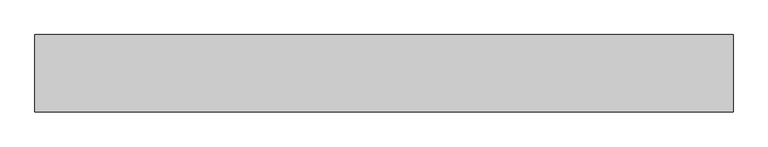
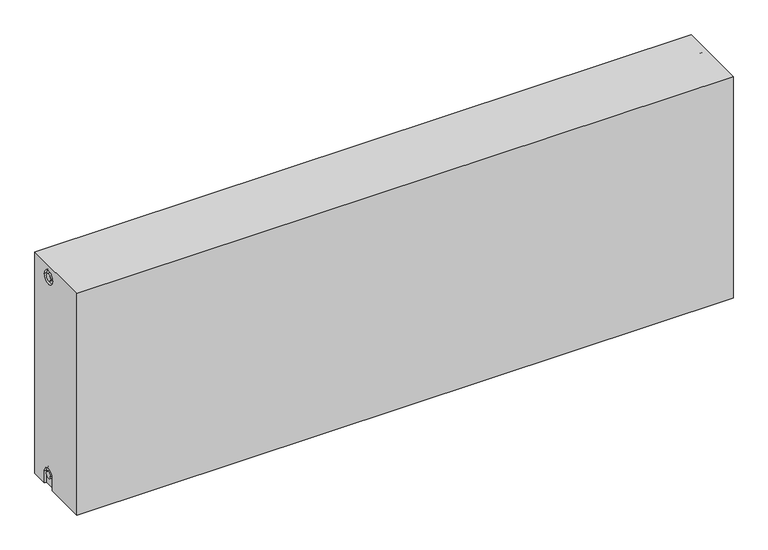
"""IFC4 building model written with IfcOpenShell, lengths in millimetres: proxy geometry."""

from ifc_helpers import new_model, si_unit, frame, origin, place, context, project, spatial, polyline, circle_curve, source, transform, mapped, element, save
from ifc_brep_helpers import plane_surface, cylinder_surface, revolved_surface, advanced_brep


def mechanical_equipment_662502ef(model_context):
    return source(origin(), model_context, "Body", "AdvancedBrep", [
        advanced_brep(
        [(1400.0, 77.5, 500.0), (1400.0, 77.5, 0.0), (0.0, 77.5, 0.0), (0.0, 77.5, 500.0), (1400.0, -77.5, 500.0), (0.0, -77.5, 500.0), (0.0, -77.5, 0.0), (1400.0, -77.5, 0.0), (1400.0, 12.2242393, 0.0), (1400.0, 12.2242393, 27.0), (1400.0, 42.2242393, 27.0), (1400.0, 42.2242393, 0.0), (1400.0, 42.2242393, 473.0), (1400.0, 12.2242393, 473.0), (1400.0, 19.7242393, 27.0), (1400.0, 34.7242393, 27.0), (1400.0, 34.7242393, 473.0), (1400.0, 19.7242393, 473.0), (1395.0, 42.2242393, 0.0), (1395.0, 12.2242393, 0.0), (0.0, 12.5, 0.0), (5.0, 12.5, 0.0), (5.0, 42.5, 0.0), (0.0, 42.5, 0.0), (0.0, 42.5, 27.0), (0.0, 12.5, 27.0), (0.0, 12.2242393, 473.0), (0.0, 42.2242393, 473.0), (0.0, 19.7242393, 473.0), (0.0, 34.7242393, 473.0), (0.0, 35.0682726, 27.0), (0.0, 20.0682726, 27.0), (5.0, 12.2242393, 473.0), (5.0, 42.2242393, 473.0), (5.0, 19.7242393, 473.0), (5.0, 34.7242393, 473.0), (5.0, 12.5, 27.0), (5.0, 42.5, 27.0), (5.0, 20.0682726, 27.0), (5.0, 35.0682726, 27.0), (1395.0, 42.2242393, 27.0), (1395.0, 12.2242393, 27.0), (1395.0, 19.7242393, 27.0), (1395.0, 34.7242393, 27.0), (1395.0, 12.2242393, 473.0), (1395.0, 42.2242393, 473.0), (1395.0, 19.7242393, 473.0), (1395.0, 34.7242393, 473.0)],
        [
            (0, 1),
            (1, 2),
            (2, 3),
            (3, 0),
            (4, 5),
            (5, 6),
            (6, 7),
            (7, 4),
            (0, 4),
            (7, 8),
            (8, 9),
            (9, 10, circle_curve(frame((1400.0, 27.2242393, 27.0), z_axis=(-1.0, 0.0, 0.0), x_axis=(0.0, 1.0, 0.0)), 15.0)),
            (10, 11),
            (11, 1),
            (12, 13, circle_curve(frame((1400.0, 27.2242393, 473.0), z_axis=(-1.0, 0.0, 0.0), x_axis=(0.0, 1.0, 0.0)), 15.0)),
            (13, 12, circle_curve(frame((1400.0, 27.2242393, 473.0), z_axis=(-1.0, 0.0, 0.0), x_axis=(0.0, 1.0, 0.0)), 15.0)),
            (14, 15, circle_curve(frame((1400.0, 27.2242393, 27.0), z_axis=(1.0, 0.0, 0.0), x_axis=(0.0, 1.0, 0.0)), 7.5)),
            (15, 14, circle_curve(frame((1400.0, 27.2242393, 27.0), z_axis=(1.0, 0.0, 0.0), x_axis=(0.0, 1.0, 0.0)), 7.5)),
            (16, 17, circle_curve(frame((1400.0, 27.2242393, 473.0), z_axis=(1.0, 0.0, 0.0), x_axis=(0.0, 1.0, 0.0)), 7.5)),
            (17, 16, circle_curve(frame((1400.0, 27.2242393, 473.0), z_axis=(1.0, 0.0, 0.0), x_axis=(0.0, 1.0, 0.0)), 7.5)),
            (11, 18),
            (18, 19),
            (19, 8),
            (6, 20),
            (20, 21),
            (21, 22),
            (22, 23),
            (23, 2),
            (23, 24),
            (24, 25, circle_curve(frame((0.0, 27.5, 27.0), z_axis=(1.0, 0.0, 0.0), x_axis=(0.0, 1.0, 0.0)), 15.0)),
            (25, 20),
            (5, 3),
            (26, 27, circle_curve(frame((0.0, 27.2242393, 473.0), z_axis=(1.0, 0.0, 0.0), x_axis=(0.0, 1.0, 0.0)), 15.0)),
            (27, 26, circle_curve(frame((0.0, 27.2242393, 473.0), z_axis=(1.0, 0.0, 0.0), x_axis=(0.0, 1.0, 0.0)), 15.0)),
            (28, 29, circle_curve(frame((0.0, 27.2242393, 473.0), z_axis=(-1.0, 0.0, 0.0), x_axis=(0.0, 1.0, 0.0)), 7.5)),
            (29, 28, circle_curve(frame((0.0, 27.2242393, 473.0), z_axis=(-1.0, 0.0, 0.0), x_axis=(0.0, 1.0, 0.0)), 7.5)),
            (30, 31, circle_curve(frame((0.0, 27.5682726, 27.0), z_axis=(-1.0, 0.0, 0.0), x_axis=(0.0, 1.0, 0.0)), 7.5)),
            (31, 30, circle_curve(frame((0.0, 27.5682726, 27.0), z_axis=(-1.0, 0.0, 0.0), x_axis=(0.0, 1.0, 0.0)), 7.5)),
            (32, 33, circle_curve(frame((5.0, 27.2242393, 473.0), z_axis=(-1.0, 0.0, 0.0), x_axis=(0.0, 1.0, 0.0)), 15.0)),
            (33, 32, circle_curve(frame((5.0, 27.2242393, 473.0), z_axis=(-1.0, 0.0, 0.0), x_axis=(0.0, 1.0, 0.0)), 15.0)),
            (34, 35, circle_curve(frame((5.0, 27.2242393, 473.0), z_axis=(1.0, 0.0, 0.0), x_axis=(0.0, 1.0, 0.0)), 7.5)),
            (35, 34, circle_curve(frame((5.0, 27.2242393, 473.0), z_axis=(1.0, 0.0, 0.0), x_axis=(0.0, 1.0, 0.0)), 7.5)),
            (33, 27),
            (26, 32),
            (35, 29),
            (28, 34),
            (21, 36),
            (36, 37, circle_curve(frame((5.0, 27.5, 27.0), z_axis=(-1.0, 0.0, 0.0), x_axis=(0.0, 1.0, 0.0)), 15.0)),
            (37, 22),
            (38, 39, circle_curve(frame((5.0, 27.5682726, 27.0), z_axis=(1.0, 0.0, 0.0), x_axis=(0.0, 1.0, 0.0)), 7.5)),
            (39, 38, circle_curve(frame((5.0, 27.5682726, 27.0), z_axis=(1.0, 0.0, 0.0), x_axis=(0.0, 1.0, 0.0)), 7.5)),
            (38, 31),
            (30, 39),
            (37, 24),
            (36, 25),
            (18, 40),
            (40, 41, circle_curve(frame((1395.0, 27.2242393, 27.0), z_axis=(1.0, 0.0, 0.0), x_axis=(0.0, 1.0, 0.0)), 15.0)),
            (41, 19),
            (42, 43, circle_curve(frame((1395.0, 27.2242393, 27.0), z_axis=(-1.0, 0.0, 0.0), x_axis=(0.0, 1.0, 0.0)), 7.5)),
            (43, 42, circle_curve(frame((1395.0, 27.2242393, 27.0), z_axis=(-1.0, 0.0, 0.0), x_axis=(0.0, 1.0, 0.0)), 7.5)),
            (43, 15),
            (14, 42),
            (10, 40),
            (9, 41),
            (44, 45, circle_curve(frame((1395.0, 27.2242393, 473.0), z_axis=(1.0, 0.0, 0.0), x_axis=(0.0, 1.0, 0.0)), 15.0)),
            (45, 44, circle_curve(frame((1395.0, 27.2242393, 473.0), z_axis=(1.0, 0.0, 0.0), x_axis=(0.0, 1.0, 0.0)), 15.0)),
            (46, 47, circle_curve(frame((1395.0, 27.2242393, 473.0), z_axis=(-1.0, 0.0, 0.0), x_axis=(0.0, 1.0, 0.0)), 7.5)),
            (47, 46, circle_curve(frame((1395.0, 27.2242393, 473.0), z_axis=(-1.0, 0.0, 0.0), x_axis=(0.0, 1.0, 0.0)), 7.5)),
            (44, 13),
            (12, 45),
            (46, 17),
            (16, 47),
        ],
        [
            plane_surface(frame((1400.0, 77.5, 500.0), z_axis=(0.0, 1.0, 0.0), x_axis=(0.0, 0.0, -1.0))),
            plane_surface(frame((1400.0, -77.5, 500.0), z_axis=(0.0, -1.0, 0.0), x_axis=(0.0, 0.0, 1.0))),
            plane_surface(frame((1400.0, 77.5, 500.0), z_axis=(1.0, 0.0, 0.0), x_axis=(0.0, -1.0, 0.0))),
            plane_surface(frame((1400.0, 77.5, 0.0), z_axis=(0.0, 0.0, -1.0), x_axis=(0.0, -1.0, 0.0))),
            plane_surface(frame((0.0, 77.5, 0.0), z_axis=(-1.0, 0.0, 0.0), x_axis=(0.0, -1.0, 0.0))),
            plane_surface(frame((0.0, 77.5, 500.0), z_axis=(0.0, 0.0, 1.0), x_axis=(0.0, -1.0, 0.0))),
            plane_surface(frame((5.0, 42.2242393, 473.0), z_axis=(-1.0, 0.0, 0.0), x_axis=(0.0, 0.0, 1.0))),
            revolved_surface(polyline([(5.0, 42.2242393, 473.0), (0.0, 42.2242393, 473.0)]), (0.0, 27.2242393, 473.0), (1.0, 0.0, 0.0)),
            cylinder_surface(frame((0.0, 27.2242393, 473.0), z_axis=(-1.0, 0.0, 0.0), x_axis=(0.0, 1.0, 0.0)), 7.5),
            plane_surface(frame((5.0, 35.0682726, 27.0), z_axis=(-1.0, 0.0, 0.0), x_axis=(0.0, 0.0, -1.0))),
            cylinder_surface(frame((0.0, 27.5682726, 27.0), z_axis=(-1.0, 0.0, 0.0), x_axis=(0.0, 1.0, 0.0)), 7.5),
            plane_surface(frame((5.0, 42.5, 0.0), z_axis=(0.0, -1.0, 0.0), x_axis=(-1.0, 0.0, 0.0))),
            revolved_surface(polyline([(5.0, 42.5, 27.0), (0.0, 42.5, 27.0)]), (0.0, 27.5, 27.0), (1.0, 0.0, 0.0)),
            plane_surface(frame((5.0, 12.5, 27.0), z_axis=(0.0, 1.0, 0.0), x_axis=(-1.0, 0.0, 0.0))),
            plane_surface(frame((1395.0, 34.7242393, 27.0), z_axis=(1.0, 0.0, 0.0), x_axis=(0.0, 0.0, 1.0))),
            cylinder_surface(frame((1395.0, 27.2242393, 27.0), z_axis=(-1.0, 0.0, 0.0), x_axis=(0.0, 1.0, 0.0)), 7.5),
            plane_surface(frame((1400.0, 42.2242393, 0.0), z_axis=(0.0, -1.0, 0.0), x_axis=(-1.0, 0.0, 0.0))),
            revolved_surface(polyline([(1400.0, 42.2242393, 27.0), (1395.0, 42.2242393, 27.0)]), (895.0, 27.2242393, 27.0), (1.0, 0.0, 0.0)),
            plane_surface(frame((1400.0, 12.2242393, 27.0), z_axis=(0.0, 1.0, 0.0), x_axis=(-1.0, 0.0, 0.0))),
            plane_surface(frame((1395.0, 42.2242393, 473.0), z_axis=(1.0, 0.0, 0.0), x_axis=(0.0, 0.0, -1.0))),
            revolved_surface(polyline([(1400.0, 42.2242393, 473.0), (1395.0, 42.2242393, 473.0)]), (1395.0, 27.2242393, 473.0), (1.0, 0.0, 0.0)),
            cylinder_surface(frame((895.0, 27.2242393, 473.0), z_axis=(-1.0, 0.0, 0.0), x_axis=(0.0, 1.0, 0.0)), 7.5),
        ],
        [
            (0, [[1, 2, 3, 4]]),
            (1, [[5, 6, 7, 8]]),
            (2, [[-1, 9, -8, 10, 11, 12, 13, 14], [15, 16]]),
            (2, [[17, 18]]),
            (2, [[19, 20]]),
            (3, [[-2, -14, 21, 22, 23, -10, -7, 24, 25, 26, 27, 28]]),
            (4, [[-3, -28, 29, 30, 31, -24, -6, 32], [33, 34]]),
            (4, [[35, 36]]),
            (4, [[37, 38]]),
            (5, [[-4, -32, -5, -9]]),
            (6, [[39, 40], [41, 42]]),
            (7, [[-40, 43, -33, 44]]),
            (7, [[-39, -44, -34, -43]]),
            (8, [[-42, 45, -35, 46]]),
            (8, [[-41, -46, -36, -45]]),
            (9, [[47, 48, 49, -26], [50, 51]]),
            (10, [[-50, 52, -37, 53]]),
            (10, [[-51, -53, -38, -52]]),
            (11, [[-49, 54, -29, -27]]),
            (12, [[-48, 55, -30, -54]]),
            (13, [[-47, -25, -31, -55]]),
            (14, [[56, 57, 58, -22], [59, 60]]),
            (15, [[-60, 61, -17, 62]]),
            (15, [[-59, -62, -18, -61]]),
            (16, [[-56, -21, -13, 63]]),
            (17, [[-57, -63, -12, 64]]),
            (18, [[-58, -64, -11, -23]]),
            (19, [[65, 66], [67, 68]]),
            (20, [[-65, 69, -15, 70]]),
            (20, [[-66, -70, -16, -69]]),
            (21, [[-67, 71, -19, 72]]),
            (21, [[-68, -72, -20, -71]]),
        ],
    ),
    ])


if __name__ == "__main__":
    model = new_model("IFC4")
    model_context = context("Model", 3, world=origin())
    ifc_project = project(units=[si_unit("LENGTHUNIT", "METRE", prefix="MILLI")], contexts=[model_context])
    site = spatial("IfcSite", under=ifc_project)
    building = spatial("IfcBuilding", under=site)
    placement = place(None, origin())
    mechanical_equipment_shape = mechanical_equipment_662502ef(model_context)
    element("IfcBuildingElementProxy", 1, Name="Mechanical Equipment", at=placement, inside=building, context=model_context, shape_type="MappedRepresentation", body=[
        mapped(mechanical_equipment_shape, transform((0.0, 0.0, 0.0), x_axis=(1.0, 0.0, 0.0), y_axis=(0.0, 1.0, 0.0), z_axis=(0.0, 0.0, 1.0))),
    ])
    save(model, "model.ifc")
